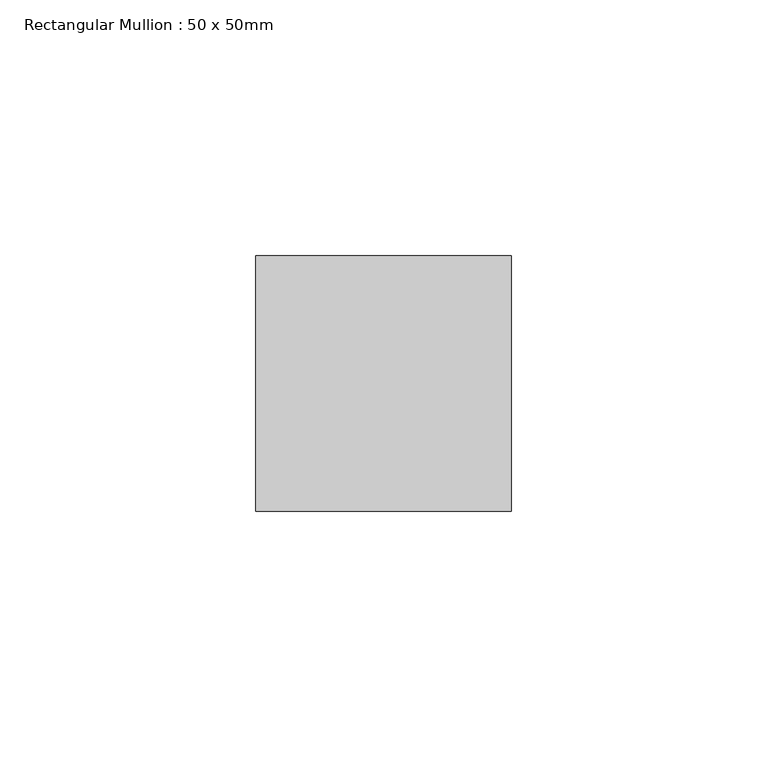
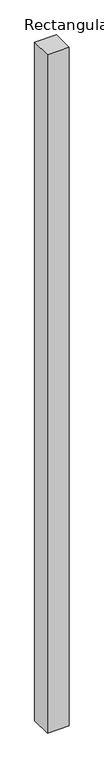
"""IFC4 building model written with IfcOpenShell, lengths in millimetres: member geometry, Rectangular Mullion : 50 x 50mm."""

from ifc_helpers import new_model, si_unit, frame, origin, place, context, project, spatial, polyline, outline, extrude, source, transform, mapped, element, save


def rectangular_mullion_50_x_50mm_d1034911(model_context):
    return source(origin(), model_context, "Body", "SweptSolid", [
        extrude(outline(polyline([(0.0, 50.0), (0.0, 0.0), (-50.0, 0.0), (-50.0, 50.0), (0.0, 50.0)])), frame((0.0, 0.0, -1642.0), z_axis=(0.0, 0.0, 1.0), x_axis=(1.0, 0.0, 0.0)), (0.0, 0.0, 1.0), 1642.0),
    ])


if __name__ == "__main__":
    model = new_model("IFC4")
    model_context = context("Model", 3, world=origin())
    ifc_project = project(units=[si_unit("LENGTHUNIT", "METRE", prefix="MILLI")], contexts=[model_context])
    site = spatial("IfcSite", under=ifc_project)
    building = spatial("IfcBuilding", under=site)
    placement = place(None, origin())
    rectangular_mullion_50_x_50mm_shape = rectangular_mullion_50_x_50mm_d1034911(model_context)
    element("IfcMember", 1, ObjectType="Rectangular Mullion : 50 x 50mm", at=placement, inside=building, context=model_context, shape_type="MappedRepresentation", body=[
        mapped(rectangular_mullion_50_x_50mm_shape, transform((0.0, 0.0, 0.0), x_axis=(1.0, 0.0, 0.0), y_axis=(0.0, 1.0, 0.0), z_axis=(0.0, 0.0, 1.0))),
    ])
    save(model, "model.ifc")
